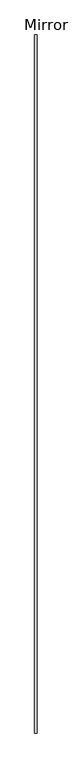
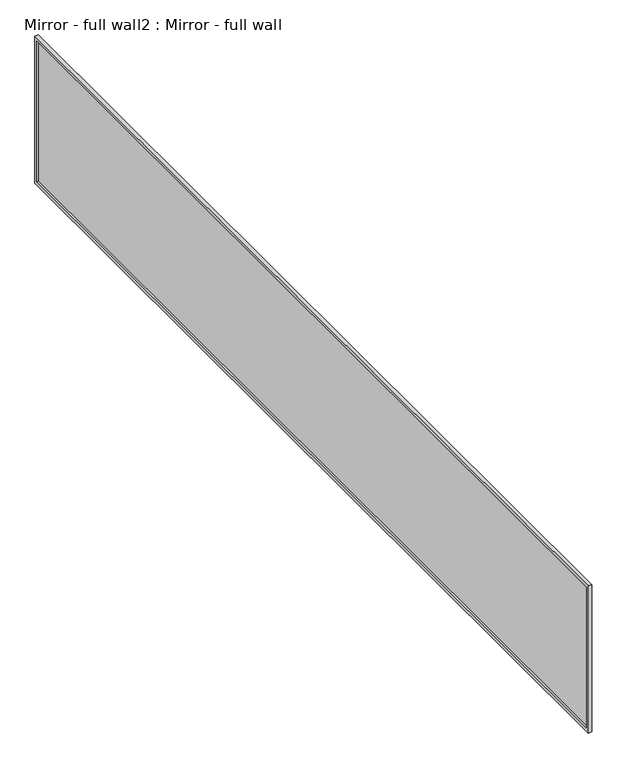
"""IFC4 building model written with IfcOpenShell, lengths in millimetres: proxy geometry, Mirror - full wall2 : Mirror - full wall."""

from ifc_helpers import new_model, si_unit, frame, origin, place, context, project, spatial, polyline, outline, extrude, source, transform, mapped, element, save


def mirror_full_wall2_mirror_full_wall_94d76e09(model_context):
    return source(origin(), model_context, "Body", "SweptSolid", [
        extrude(outline(polyline([(460735.1504676, -274077.2834908), (460735.1504676, -267245.2863632), (460747.8504676, -267245.2863632), (460747.8504676, -274077.2834908), (460735.1504676, -274077.2834908)])), frame((0.0, 0.0, 1041.4), z_axis=(0.0, 0.0, 1.0), x_axis=(1.0, 0.0, 0.0)), (0.0, 0.0, 1.0), 1066.8),
        extrude(outline(polyline([(-267219.8863632, 2133.6), (-267219.8863632, 1016.0), (-274103.2863632, 1016.0), (-274103.2863632, 2133.6), (-267219.8863632, 2133.6)]), holes=[polyline([(-267245.2863632, 2108.2), (-274077.2834908, 2108.2), (-274077.2834908, 1041.4), (-267245.2863632, 1041.4), (-267245.2863632, 2108.2)])]), frame((460722.4504676, 0.0, 0.0), z_axis=(1.0, 0.0, 0.0), x_axis=(0.0, 1.0, 0.0)), (0.0, 0.0, 1.0), 25.4),
    ])


if __name__ == "__main__":
    model = new_model("IFC4")
    model_context = context("Model", 3, world=origin())
    ifc_project = project(units=[si_unit("LENGTHUNIT", "METRE", prefix="MILLI")], contexts=[model_context])
    site = spatial("IfcSite", under=ifc_project)
    building = spatial("IfcBuilding", under=site)
    placement = place(None, origin())
    mirror_full_wall2_mirror_full_wall_shape = mirror_full_wall2_mirror_full_wall_94d76e09(model_context)
    element("IfcBuildingElementProxy", 1, Name="Mirror - full wall2 : Mirror - full wall", ObjectType="Mirror - full wall2 : Mirror - full wall", at=placement, inside=building, context=model_context, shape_type="MappedRepresentation", body=[
        mapped(mirror_full_wall2_mirror_full_wall_shape, transform((0.0, 0.0, 0.0), x_axis=(1.0, 0.0, 0.0), y_axis=(0.0, 1.0, 0.0), z_axis=(0.0, 0.0, 1.0))),
    ])
    save(model, "model.ifc")
